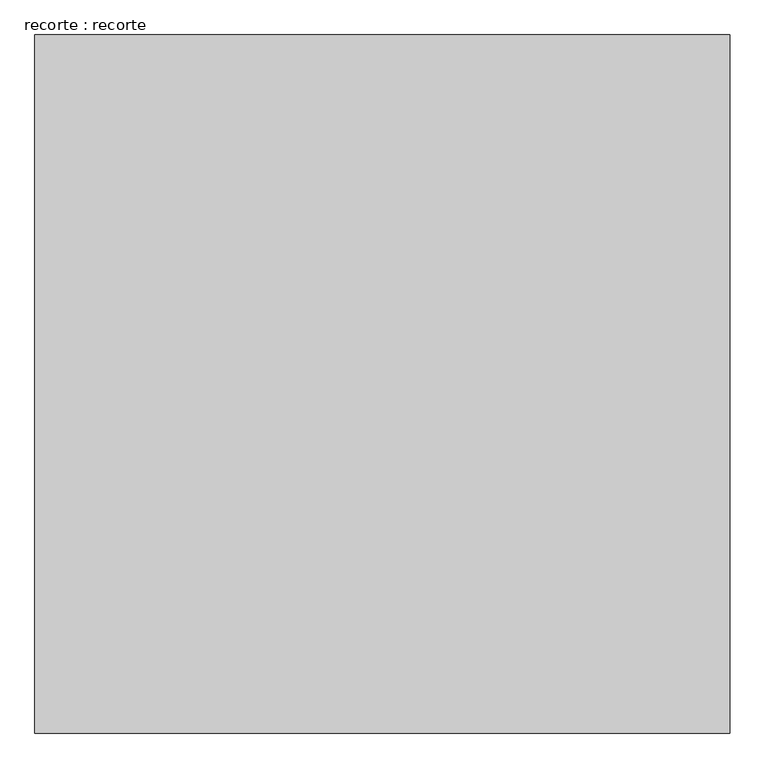
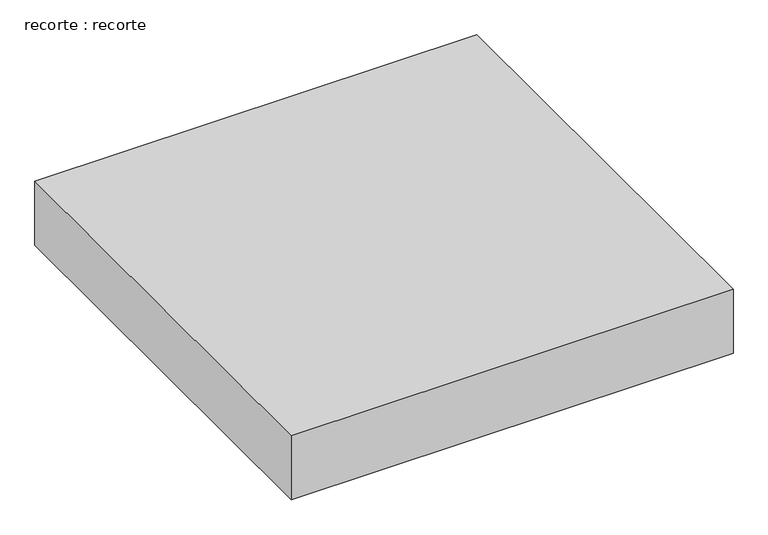
"""IFC4 building model written with IfcOpenShell, lengths in millimetres: proxy geometry, recorte : recorte."""

from ifc_helpers import new_model, si_unit, frame, origin, place, context, project, spatial, polyline, outline, extrude, source, transform, mapped, element, save


def recorte_recorte_ee548ff5(model_context):
    return source(origin(), model_context, "Body", "SweptSolid", [
        extrude(outline(polyline([(25160.0347472, 22956.5020077), (25160.0347472, -24443.4979923), (-22039.9652528, -24443.4979923), (-22039.9652528, 22956.5020077), (25160.0347472, 22956.5020077)])), frame((0.0, 0.0, -9299.3836183), z_axis=(0.0, 0.0, 1.0), x_axis=(1.0, 0.0, 0.0)), (0.0, 0.0, 1.0), 7200.3542419),
    ])


if __name__ == "__main__":
    model = new_model("IFC4")
    model_context = context("Model", 3, world=origin())
    ifc_project = project(units=[si_unit("LENGTHUNIT", "METRE", prefix="MILLI")], contexts=[model_context])
    site = spatial("IfcSite", under=ifc_project)
    building = spatial("IfcBuilding", under=site)
    placement = place(None, origin())
    recorte_recorte_shape = recorte_recorte_ee548ff5(model_context)
    element("IfcBuildingElementProxy", 1, Name="recorte : recorte", ObjectType="recorte : recorte", at=placement, inside=building, context=model_context, shape_type="MappedRepresentation", body=[
        mapped(recorte_recorte_shape, transform((0.0, 0.0, 0.0), x_axis=(1.0, 0.0, 0.0), y_axis=(0.0, 1.0, 0.0), z_axis=(0.0, 0.0, 1.0))),
    ])
    save(model, "model.ifc")
